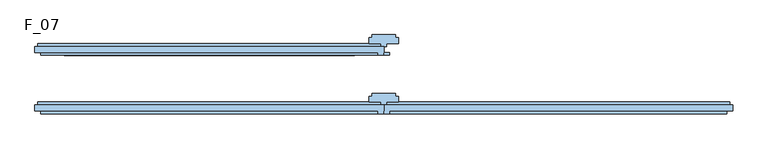
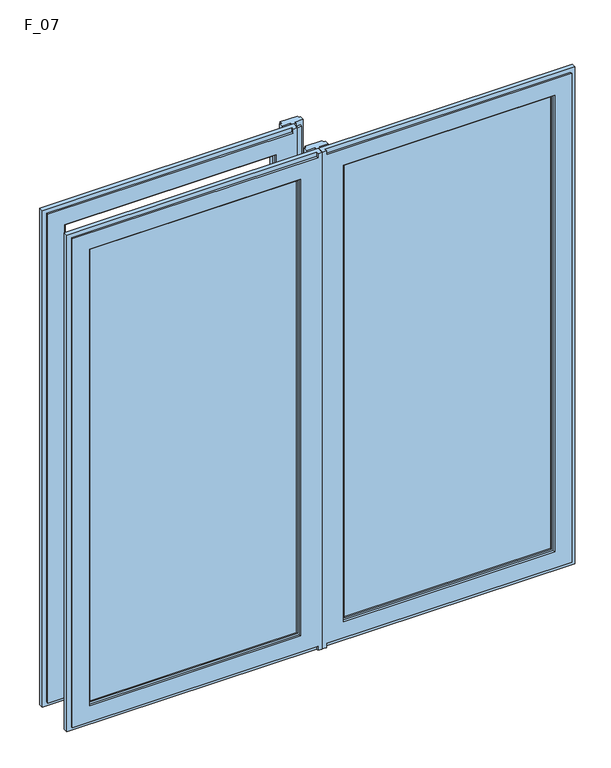
"""IFC4 building model written with IfcOpenShell, lengths in millimetres: window geometry, F_07."""

from ifc_helpers import new_model, si_unit, frame, origin, place, context, project, spatial, polyline, outline, extrude, faceted_brep, source, transform, mapped, element, save


def f_07_d8b1c922(model_context):
    return source(origin(), model_context, "Body", "SolidModel", [
        faceted_brep([(-0.5, -55.0, 850.0), (-10.0, -55.0, 850.0), (-10.0, -50.0, 850.0), (-595.0, -50.0, 850.0), (-595.0, -40.0, 850.0), (0.0, -40.0, 850.0), (0.0, -50.0, 850.0), (-0.5, -50.0, 850.0), (-0.5, -55.0, 2080.0), (-0.5, -50.0, 2080.0), (-585.0, -50.0, 860.0), (-585.0, -50.0, 2070.0), (-10.0, -50.0, 2070.0), (-10.0, -50.0, 2080.0), (-595.0, -50.0, 2080.0), (-10.0, -50.0, 860.0), (0.0, -50.0, 2080.0), (0.0, -40.0, 2080.0), (-595.0, -40.0, 2080.0), (-5.0, -40.0, 2075.0), (-590.0, -40.0, 2075.0), (-590.0, -40.0, 855.0), (-5.0, -40.0, 855.0), (-10.0, -55.0, 860.0), (-10.0, -55.0, 2070.0), (-10.0, -55.0, 2080.0), (-585.0, -55.0, 2070.0), (-585.0, -55.0, 860.0), (-50.0, -55.0, 900.0), (-545.0, -55.0, 900.0), (-545.0, -55.0, 2030.0), (-50.0, -55.0, 2030.0), (-50.0, -50.0, 2030.0), (-50.0, -50.0, 900.0), (-545.0, -50.0, 900.0), (-545.0, -50.0, 2030.0), (-55.0, -50.0, 905.0), (-540.0, -50.0, 905.0), (-540.0, -50.0, 2025.0), (-55.0, -50.0, 2025.0), (-55.0, -40.0, 2025.0), (-55.0, -40.0, 905.0), (-540.0, -40.0, 905.0), (-50.0, -40.0, 900.0), (-545.0, -40.0, 900.0), (-545.0, -40.0, 2030.0), (-50.0, -40.0, 2030.0), (-540.0, -40.0, 2025.0), (-50.0, -35.0, 2030.0), (-50.0, -35.0, 900.0), (-545.0, -35.0, 900.0), (-5.0, -35.0, 855.0), (-590.0, -35.0, 855.0), (-590.0, -35.0, 2075.0), (-5.0, -35.0, 2075.0), (-545.0, -35.0, 2030.0)], [[[0, 1, 2, 3, 4, 5, 6, 7]], [[8, 0, 7, 9]], [[10, 11, 12, 13, 14, 3, 2, 15]], [[16, 9, 7, 6]], [[16, 6, 5, 17]], [[5, 4, 18, 17], [19, 20, 21, 22]], [[3, 14, 18, 4]], [[1, 23, 15, 2]], [[13, 12, 24, 25]], [[25, 24, 26, 27, 23, 1, 0, 8], [28, 29, 30, 31]], [[15, 23, 27, 10]], [[27, 26, 11, 10]], [[32, 33, 28, 31]], [[34, 35, 30, 29]], [[33, 34, 29, 28]], [[32, 35, 34, 33], [36, 37, 38, 39]], [[40, 41, 36, 39]], [[41, 42, 37, 36]], [[43, 44, 45, 46], [40, 47, 42, 41]], [[48, 49, 43, 46]], [[49, 50, 44, 43]], [[51, 52, 53, 54], [48, 55, 50, 49]], [[19, 22, 51, 54]], [[22, 21, 52, 51]], [[42, 47, 38, 37]], [[50, 55, 45, 44]], [[21, 20, 53, 52]], [[8, 9, 16, 17, 18, 14, 13, 25]], [[31, 30, 35, 32]], [[39, 38, 47, 40]], [[46, 45, 55, 48]], [[54, 53, 20, 19]], [[26, 24, 12, 11]]]),
        faceted_brep([(0.5, -55.0, 850.0), (0.5, -50.0, 850.0), (0.0, -50.0, 850.0), (0.0, -40.0, 850.0), (595.0, -40.0, 850.0), (595.0, -50.0, 850.0), (10.0, -50.0, 850.0), (10.0, -55.0, 850.0), (0.5, -55.0, 2080.0), (10.0, -55.0, 860.0), (585.0, -55.0, 860.0), (585.0, -55.0, 2070.0), (10.0, -55.0, 2070.0), (10.0, -55.0, 2080.0), (50.0, -55.0, 2030.0), (545.0, -55.0, 2030.0), (545.0, -55.0, 900.0), (50.0, -55.0, 900.0), (10.0, -50.0, 860.0), (10.0, -50.0, 2070.0), (10.0, -50.0, 2080.0), (0.5, -50.0, 2080.0), (0.0, -50.0, 2080.0), (595.0, -50.0, 2080.0), (585.0, -50.0, 2070.0), (585.0, -50.0, 860.0), (595.0, -40.0, 2080.0), (0.0, -40.0, 2080.0), (5.0, -40.0, 855.0), (590.0, -40.0, 855.0), (590.0, -40.0, 2075.0), (5.0, -40.0, 2075.0), (50.0, -50.0, 900.0), (50.0, -50.0, 2030.0), (545.0, -50.0, 900.0), (545.0, -50.0, 2030.0), (55.0, -50.0, 2025.0), (540.0, -50.0, 2025.0), (540.0, -50.0, 905.0), (55.0, -50.0, 905.0), (55.0, -40.0, 905.0), (55.0, -40.0, 2025.0), (50.0, -40.0, 2030.0), (545.0, -40.0, 2030.0), (545.0, -40.0, 900.0), (50.0, -40.0, 900.0), (540.0, -40.0, 905.0), (540.0, -40.0, 2025.0), (50.0, -35.0, 900.0), (50.0, -35.0, 2030.0), (5.0, -35.0, 2075.0), (590.0, -35.0, 2075.0), (590.0, -35.0, 855.0), (5.0, -35.0, 855.0), (545.0, -35.0, 900.0), (545.0, -35.0, 2030.0)], [[[0, 1, 2, 3, 4, 5, 6, 7]], [[8, 0, 7, 9, 10, 11, 12, 13], [14, 15, 16, 17]], [[6, 18, 9, 7]], [[13, 12, 19, 20]], [[2, 1, 21, 22]], [[18, 6, 5, 23, 20, 19, 24, 25]], [[4, 26, 23, 5]], [[27, 26, 4, 3], [28, 29, 30, 31]], [[27, 3, 2, 22]], [[21, 1, 0, 8]], [[25, 24, 11, 10]], [[9, 18, 25, 10]], [[14, 17, 32, 33]], [[17, 16, 34, 32]], [[16, 15, 35, 34]], [[32, 34, 35, 33], [36, 37, 38, 39]], [[36, 39, 40, 41]], [[42, 43, 44, 45], [40, 46, 47, 41]], [[39, 38, 46, 40]], [[42, 45, 48, 49]], [[50, 51, 52, 53], [48, 54, 55, 49]], [[45, 44, 54, 48]], [[50, 53, 28, 31]], [[53, 52, 29, 28]], [[38, 37, 47, 46]], [[44, 43, 55, 54]], [[52, 51, 30, 29]], [[8, 13, 20, 23, 26, 27, 22, 21]], [[33, 35, 15, 14]], [[41, 47, 37, 36]], [[49, 55, 43, 42]], [[31, 30, 51, 50]], [[24, 19, 12, 11]]]),
        extrude(outline(polyline([(-55.0, -43.0), (-55.0, -47.0), (-540.0, -47.0), (-540.0, -43.0), (-55.0, -43.0)])), frame((0.0, 0.0, 905.0), z_axis=(0.0, 0.0, 1.0), x_axis=(1.0, 0.0, 0.0)), (0.0, 0.0, 1.0), 1120.0),
        extrude(outline(polyline([(540.0, -43.0), (540.0, -47.0), (55.0, -47.0), (55.0, -43.0), (540.0, -43.0)])), frame((0.0, 0.0, 905.0), z_axis=(0.0, 0.0, 1.0), x_axis=(1.0, 0.0, 0.0)), (0.0, 0.0, 1.0), 1120.0),
        extrude(outline(polyline([(5.0, -40.0), (-5.0, -40.0), (-5.0, -35.0), (-25.0, -35.0), (-25.0, -25.0), (-20.0, -25.0), (-20.0, -20.0), (20.0, -20.0), (20.0, -25.0), (25.0, -25.0), (25.0, -35.0), (5.0, -35.0), (5.0, -40.0)])), frame((0.0, 0.0, 850.0), z_axis=(0.0, 0.0, 1.0), x_axis=(1.0, 0.0, 0.0)), (0.0, 0.0, 1.0), 1230.0),
        faceted_brep([(-50.0, 50.0, 2030.0), (-50.0, 50.0, 900.0), (-50.0, 45.0, 900.0), (-50.0, 45.0, 2030.0), (-10.0, 45.0, 860.0), (-10.0, 45.0, 850.0), (-0.5, 45.0, 850.0), (-0.5, 45.0, 2080.0), (-10.0, 45.0, 2080.0), (-10.0, 45.0, 2070.0), (-585.0, 45.0, 2070.0), (-585.0, 45.0, 860.0), (-545.0, 45.0, 900.0), (-545.0, 45.0, 2030.0), (-545.0, 50.0, 900.0), (-545.0, 50.0, 2030.0), (-55.0, 50.0, 905.0), (-540.0, 50.0, 905.0), (-540.0, 50.0, 2025.0), (-55.0, 50.0, 2025.0), (-55.0, 60.0, 2025.0), (-55.0, 60.0, 905.0), (-540.0, 60.0, 905.0), (-50.0, 60.0, 900.0), (-545.0, 60.0, 900.0), (-545.0, 60.0, 2030.0), (-50.0, 60.0, 2030.0), (-540.0, 60.0, 2025.0), (-50.0, 65.0, 2030.0), (-50.0, 65.0, 900.0), (-545.0, 65.0, 900.0), (-5.0, 65.0, 855.0), (-590.0, 65.0, 855.0), (-590.0, 65.0, 2075.0), (-5.0, 65.0, 2075.0), (-545.0, 65.0, 2030.0), (-5.0, 60.0, 2075.0), (-5.0, 60.0, 855.0), (-590.0, 60.0, 855.0), (0.0, 60.0, 850.0), (-595.0, 60.0, 850.0), (-595.0, 60.0, 2080.0), (0.0, 60.0, 2080.0), (-590.0, 60.0, 2075.0), (0.0, 50.0, 2080.0), (0.0, 50.0, 850.0), (-0.5, 50.0, 850.0), (-10.0, 50.0, 850.0), (-595.0, 50.0, 850.0), (-585.0, 50.0, 860.0), (-585.0, 50.0, 2070.0), (-10.0, 50.0, 2070.0), (-10.0, 50.0, 2080.0), (-595.0, 50.0, 2080.0), (-10.0, 50.0, 860.0), (-0.5, 50.0, 2080.0)], [[[0, 1, 2, 3]], [[4, 5, 6, 7, 8, 9, 10, 11], [2, 12, 13, 3]], [[1, 14, 12, 2]], [[0, 15, 14, 1], [16, 17, 18, 19]], [[20, 21, 16, 19]], [[21, 22, 17, 16]], [[23, 24, 25, 26], [20, 27, 22, 21]], [[28, 29, 23, 26]], [[29, 30, 24, 23]], [[31, 32, 33, 34], [28, 35, 30, 29]], [[36, 37, 31, 34]], [[37, 38, 32, 31]], [[39, 40, 41, 42], [36, 43, 38, 37]], [[44, 45, 39, 42]], [[45, 46, 6, 5, 47, 48, 40, 39]], [[49, 50, 51, 52, 53, 48, 47, 54]], [[44, 55, 46, 45]], [[14, 15, 13, 12]], [[22, 27, 18, 17]], [[30, 35, 25, 24]], [[38, 43, 33, 32]], [[48, 53, 41, 40]], [[5, 4, 54, 47]], [[52, 51, 9, 8]], [[7, 6, 46, 55]], [[54, 4, 11, 49]], [[11, 10, 50, 49]], [[3, 13, 15, 0]], [[19, 18, 27, 20]], [[26, 25, 35, 28]], [[34, 33, 43, 36]], [[42, 41, 53, 52, 8, 7, 55, 44]], [[10, 9, 51, 50]]]),
        extrude(outline(polyline([(5.0, 60.0), (-5.0, 60.0), (-5.0, 65.0), (-25.0, 65.0), (-25.0, 75.0), (-20.0, 75.0), (-20.0, 80.0), (20.0, 80.0), (20.0, 75.0), (25.0, 75.0), (25.0, 65.0), (5.0, 65.0), (5.0, 60.0)])), frame((0.0, 0.0, 850.0), z_axis=(0.0, 0.0, 1.0), x_axis=(1.0, 0.0, 0.0)), (0.0, 0.0, 1.0), 1230.0),
        extrude(outline(polyline([(0.5, 45.0), (0.5, 50.0), (10.0, 50.0), (10.0, 45.0), (0.5, 45.0)])), frame((0.0, 0.0, 850.0), z_axis=(0.0, 0.0, 1.0), x_axis=(1.0, 0.0, 0.0)), (0.0, 0.0, 1.0), 1230.0),
    ])


if __name__ == "__main__":
    model = new_model("IFC4")
    model_context = context("Model", 3, world=origin())
    ifc_project = project(units=[si_unit("LENGTHUNIT", "METRE", prefix="MILLI")], contexts=[model_context])
    site = spatial("IfcSite", under=ifc_project)
    building = spatial("IfcBuilding", under=site)
    placement = place(None, origin())
    f_07_shape = f_07_d8b1c922(model_context)
    element("IfcWindow", 1, ObjectType="F_07", at=placement, inside=building, context=model_context, shape_type="MappedRepresentation", body=[
        mapped(f_07_shape, transform((0.0, 0.0, 0.0), x_axis=(1.0, 0.0, 0.0), y_axis=(0.0, 1.0, 0.0), z_axis=(0.0, 0.0, 1.0))),
    ])
    save(model, "model.ifc")
